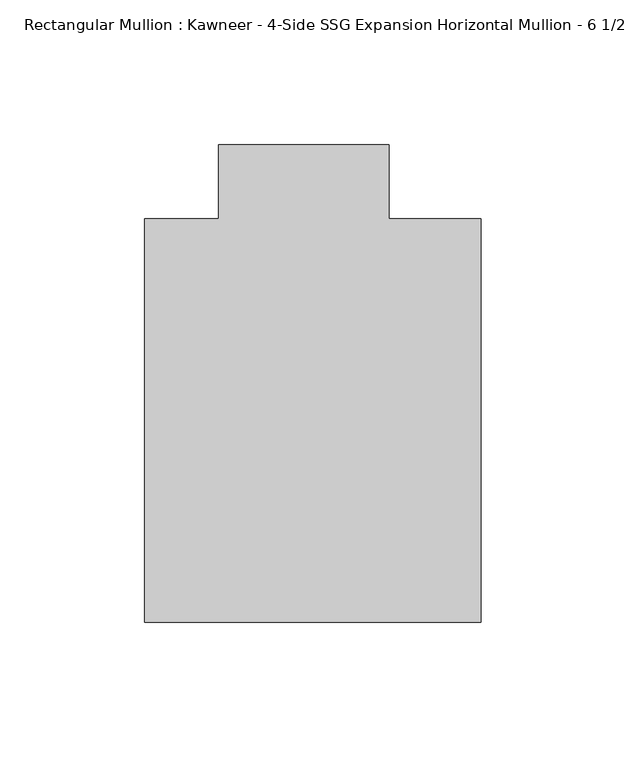
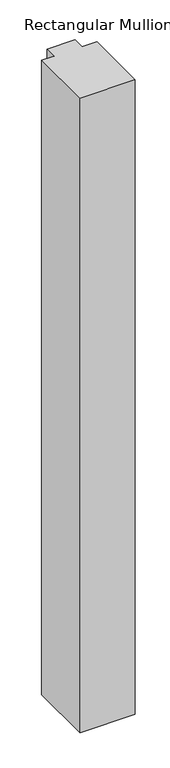
"""IFC4 building model written with IfcOpenShell, lengths in millimetres: member geometry."""

from ifc_helpers import new_model, si_unit, frame, origin, place, context, project, spatial, polyline, outline, extrude, source, transform, mapped, element, save


def member_3fb06320(model_context):
    return source(origin(), model_context, "Body", "SweptSolid", [
        extrude(outline(polyline([(-62.2957636, -151.892), (-62.2957636, -12.7), (-36.8958768, -12.7), (-36.8958768, 12.7), (21.8651592, 12.7), (21.8651592, -12.7), (53.615046, -12.7), (53.615046, -151.892), (-62.2957636, -151.892)])), frame((0.0, 0.0, -1408.5645118), z_axis=(0.0, 0.0, 1.0), x_axis=(1.0, 0.0, 0.0)), (0.0, 0.0, 1.0), 1408.5645118),
    ])


if __name__ == "__main__":
    model = new_model("IFC4")
    model_context = context("Model", 3, world=origin())
    ifc_project = project(units=[si_unit("LENGTHUNIT", "METRE", prefix="MILLI")], contexts=[model_context])
    site = spatial("IfcSite", under=ifc_project)
    building = spatial("IfcBuilding", under=site)
    placement = place(None, origin())
    member_shape = member_3fb06320(model_context)
    element("IfcMember", 1, ObjectType="Rectangular Mullion : Kawneer - 4-Side SSG Expansion Horizontal Mullion - 6 1/2\"", at=placement, inside=building, context=model_context, shape_type="MappedRepresentation", body=[
        mapped(member_shape, transform((0.0, 0.0, 0.0), x_axis=(1.0, 0.0, 0.0), y_axis=(0.0, 1.0, 0.0), z_axis=(0.0, 0.0, 1.0))),
    ])
    save(model, "model.ifc")
